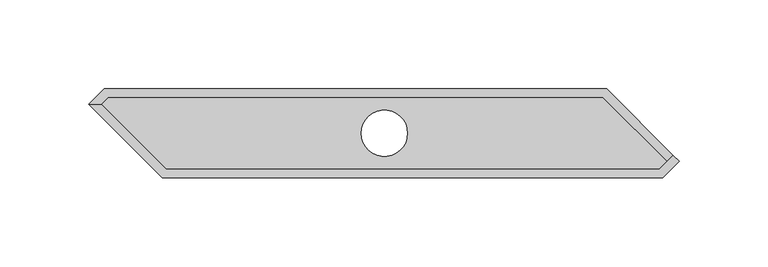
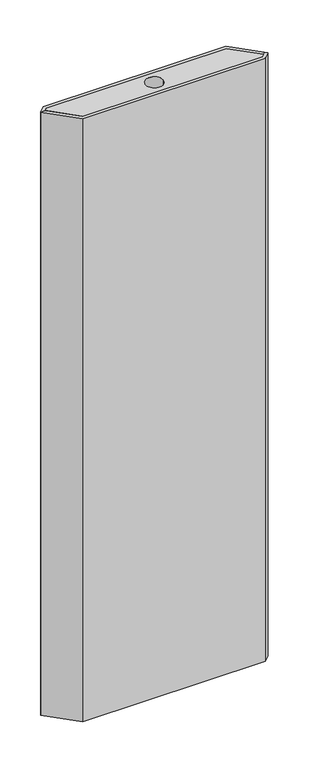
"""IFC4 building model written with IfcOpenShell, lengths in millimetres: proxy geometry."""

from ifc_helpers import new_model, si_unit, point, frame_2d, origin, origin_with_axes, place, context, project, spatial, polyline, circle_curve, trimmed, segment, composite_curve, outline, extrude, source, transform, mapped, element, save


def generic_models_c0d4ce84(model_context):
    return source(origin(), model_context, "Body", "SweptSolid", [
        extrude(outline(polyline([(97.9289322, -5.0), (133.8010174, -40.8720852), (129.6731025, -45.0), (-147.645334, -45.0), (-183.9644661, -8.6808679), (-180.2835982, -5.0), (97.9289322, -5.0)]), holes=[composite_curve([segment(trimmed(circle_curve(frame_2d((-25.0, -25.0)), 13.0), [point((-38.0, -25.0))], [point((-12.0, -25.0))], True, "CARTESIAN"), True, "CONTINUOUS"), segment(trimmed(circle_curve(frame_2d((-25.0, -25.0)), 13.0), [point((-12.0, -25.0))], [point((-38.0, -25.0))], True, "CARTESIAN"), True, "CONTINUOUS")], self_intersect=False)]), origin_with_axes(), (0.0, 0.0, 1.0), 983.0),
        extrude(outline(polyline([(100.0, 0.0), (137.3365513, -37.3365513), (133.8010174, -40.8720852), (97.9289322, -5.0), (-180.2835982, -5.0), (-183.9644661, -8.6808679), (-191.3191321, -8.6808679), (-182.6382641, 0.0), (100.0, 0.0)])), origin_with_axes(), (0.0, 0.0, 1.0), 983.0),
        extrude(outline(polyline([(140.8720852, -40.8720852), (131.7441703, -50.0), (-150.0, -50.0), (-191.3191321, -8.6808679), (-183.9644661, -8.6808679), (-147.645334, -45.0), (129.6731025, -45.0), (137.3365513, -37.3365513), (140.8720852, -40.8720852)])), origin_with_axes(), (0.0, 0.0, 1.0), 983.0),
    ])


if __name__ == "__main__":
    model = new_model("IFC4")
    model_context = context("Model", 3, world=origin())
    ifc_project = project(units=[si_unit("LENGTHUNIT", "METRE", prefix="MILLI")], contexts=[model_context])
    site = spatial("IfcSite", under=ifc_project)
    building = spatial("IfcBuilding", under=site)
    placement = place(None, origin())
    generic_models_shape = generic_models_c0d4ce84(model_context)
    element("IfcBuildingElementProxy", 1, Name="Generic Models", at=placement, inside=building, context=model_context, shape_type="MappedRepresentation", body=[
        mapped(generic_models_shape, transform((0.0, 0.0, 0.0), x_axis=(1.0, 0.0, 0.0), y_axis=(0.0, 1.0, 0.0), z_axis=(0.0, 0.0, 1.0))),
    ])
    save(model, "model.ifc")
